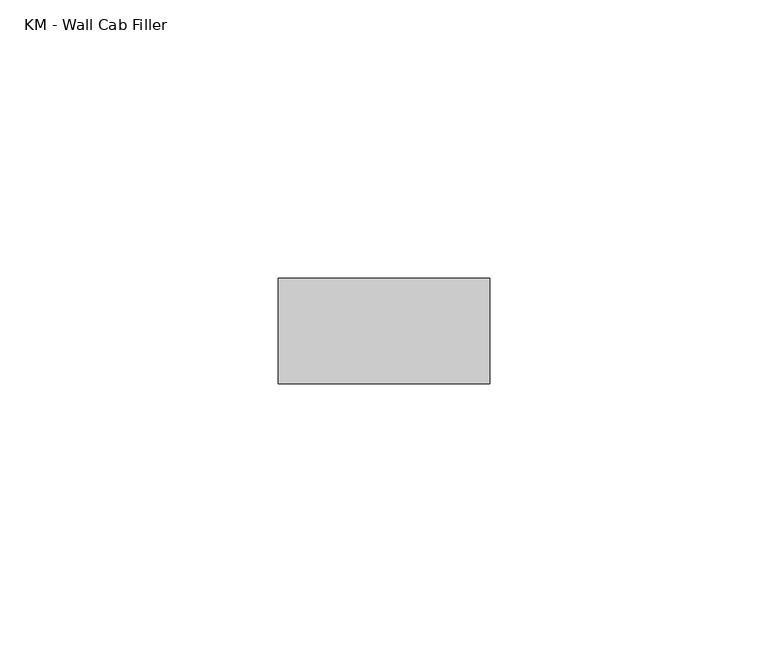
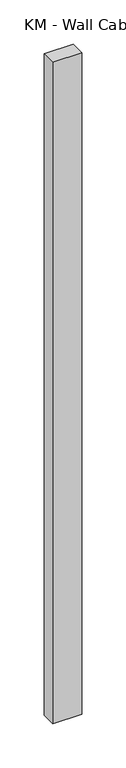
"""IFC4 building model written with IfcOpenShell, lengths in millimetres: furniture geometry, KM - Wall Cab Filler."""

from ifc_helpers import new_model, si_unit, frame, origin, place, context, project, spatial, polyline, outline, extrude, source, transform, mapped, element, save


def km_wall_cab_filler_092960f9(model_context):
    return source(origin(), model_context, "Body", "SweptSolid", [
        extrude(outline(polyline([(19.05, 336.55), (-19.05, 336.55), (-19.05, 355.6), (19.05, 355.6), (19.05, 336.55)])), frame((0.0, 0.0, 928.0500914), z_axis=(0.0, 0.0, 1.0), x_axis=(1.0, 0.0, 0.0)), (0.0, 0.0, 1.0), 914.4),
    ])


if __name__ == "__main__":
    model = new_model("IFC4")
    model_context = context("Model", 3, world=origin())
    ifc_project = project(units=[si_unit("LENGTHUNIT", "METRE", prefix="MILLI")], contexts=[model_context])
    site = spatial("IfcSite", under=ifc_project)
    building = spatial("IfcBuilding", under=site)
    placement = place(None, origin())
    km_wall_cab_filler_shape = km_wall_cab_filler_092960f9(model_context)
    element("IfcFurniture", 1, ObjectType="KM - Wall Cab Filler", at=placement, inside=building, context=model_context, shape_type="MappedRepresentation", body=[
        mapped(km_wall_cab_filler_shape, transform((0.0, 0.0, 0.0), x_axis=(1.0, 0.0, 0.0), y_axis=(0.0, 1.0, 0.0), z_axis=(0.0, 0.0, 1.0))),
    ])
    save(model, "model.ifc")
